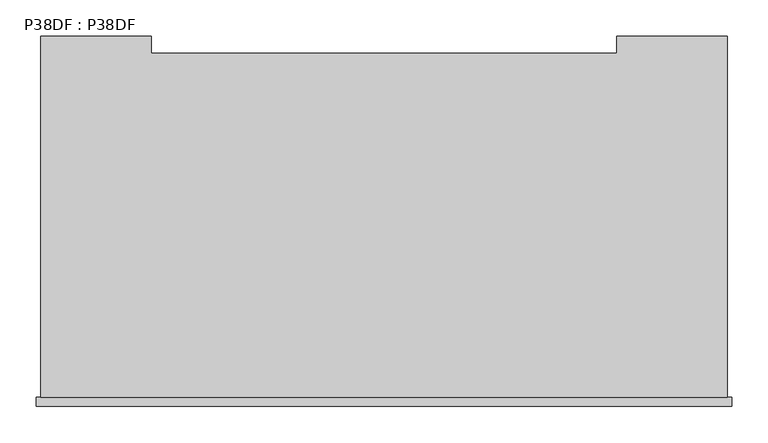
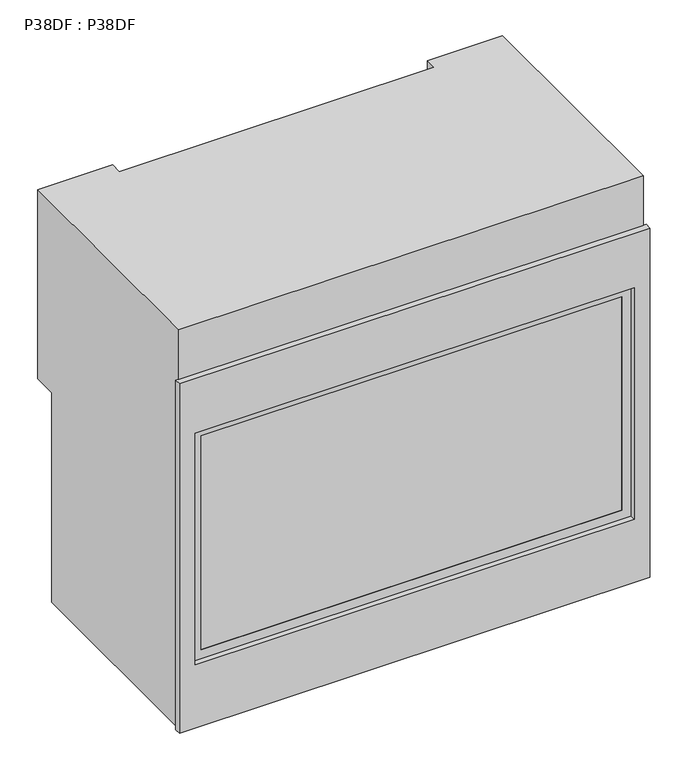
"""IFC4 building model written with IfcOpenShell, lengths in millimetres: proxy geometry, P38DF : P38DF."""

from ifc_helpers import new_model, si_unit, frame, origin, place, context, project, spatial, polyline, outline, extrude, faceted_brep, source, transform, mapped, element, save


def p38df_p38df_a68ec4b5(model_context):
    return source(origin(), model_context, "Body", "SolidModel", [
        faceted_brep([(472.7896452, 0.0, 857.25), (472.7896452, 496.6970161, 857.25), (320.3896582, 496.6970161, 857.25), (320.3896582, 473.1639102, 857.25), (-320.3388453, 473.1639102, 857.25), (-320.3388453, 496.6970161, 857.25), (-472.738862, 496.6970161, 857.25), (-472.738862, 0.0, 857.25), (-472.738862, 496.6970161, 450.85), (-320.3388453, 496.6970161, 450.85), (-320.3388453, 473.1639102, 450.85), (320.3896582, 473.1639102, 450.85), (320.3896582, 496.6970161, 450.85), (472.7896452, 496.6970161, 450.85), (472.7896452, 447.7639102, 450.85), (-472.738862, 447.7639102, 450.85), (-472.738862, 0.0, 0.0), (472.7896452, 0.0, 0.0), (472.7896452, 447.7639102, 0.0), (-472.738862, 447.7639102, 0.0)], [[[0, 1, 2, 3, 4, 5, 6, 7]], [[8, 9, 10, 11, 12, 13, 14, 15]], [[0, 7, 16, 17]], [[1, 0, 17, 18, 14, 13]], [[2, 1, 13, 12]], [[3, 2, 12, 11]], [[4, 3, 11, 10]], [[5, 4, 10, 9]], [[6, 5, 9, 8]], [[16, 7, 6, 8, 15, 19]], [[17, 16, 19, 18]], [[18, 19, 15, 14]]]),
        extrude(outline(polyline([(633.4125, -446.88125), (135.9382672, -446.88125), (135.9382672, 446.88125), (633.4125, 446.88125), (633.4125, -446.88125)]), holes=[polyline([(154.9882672, -427.83125), (614.3625, -427.83125), (614.3625, 427.83125), (154.9882672, 427.83125), (154.9882672, -427.83125)])]), frame((0.0, -1.5875, 0.0), z_axis=(0.0, 1.0, 0.0), x_axis=(0.0, 0.0, 1.0)), (0.0, 0.0, 1.0), 1.5875),
        extrude(outline(polyline([(446.88125, -1.5875), (-446.88125, -1.5875), (-446.88125, 0.0), (446.88125, 0.0), (446.88125, -1.5875)])), frame((0.0, 0.0, 135.9382672), z_axis=(0.0, 0.0, 1.0), x_axis=(1.0, 0.0, 0.0)), (0.0, 0.0, 1.0), 497.4742328),
        extrude(outline(polyline([(0.0, 478.63125), (750.8875, 478.63125), (750.8875, -478.63125), (0.0, -478.63125), (0.0, 478.63125)]), holes=[polyline([(633.4125, -446.88125), (633.4125, 446.88125), (135.9382672, 446.88125), (135.9382672, -446.88125), (633.4125, -446.88125)])]), frame((0.0, -12.7, 0.0), z_axis=(0.0, 1.0, 0.0), x_axis=(0.0, 0.0, 1.0)), (0.0, 0.0, 1.0), 12.7),
    ])


if __name__ == "__main__":
    model = new_model("IFC4")
    model_context = context("Model", 3, world=origin())
    ifc_project = project(units=[si_unit("LENGTHUNIT", "METRE", prefix="MILLI")], contexts=[model_context])
    site = spatial("IfcSite", under=ifc_project)
    building = spatial("IfcBuilding", under=site)
    placement = place(None, origin())
    p38df_p38df_shape = p38df_p38df_a68ec4b5(model_context)
    element("IfcBuildingElementProxy", 1, Name="P38DF : P38DF", ObjectType="P38DF : P38DF", at=placement, inside=building, context=model_context, shape_type="MappedRepresentation", body=[
        mapped(p38df_p38df_shape, transform((0.0, 0.0, 0.0), x_axis=(1.0, 0.0, 0.0), y_axis=(0.0, 1.0, 0.0), z_axis=(0.0, 0.0, 1.0))),
    ])
    save(model, "model.ifc")
